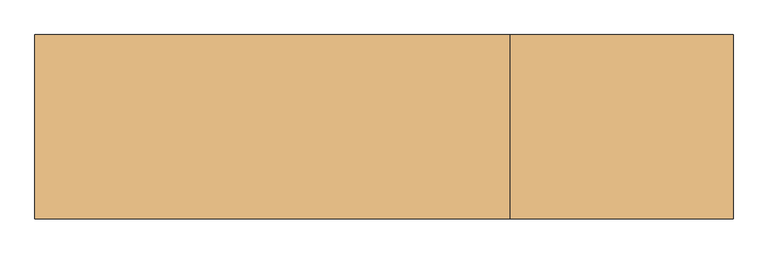
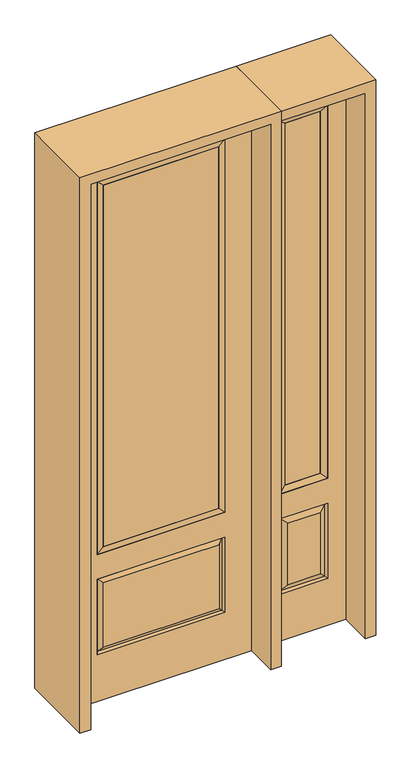
"""IFC4 building model written with IfcOpenShell, lengths in millimetres: door geometry."""

from ifc_helpers import new_model, si_unit, frame, origin, place, context, project, spatial, polyline, outline, extrude, faceted_brep, source, transform, mapped, element, save


def door_556ef328(model_context):
    return source(origin(), model_context, "Body", "SolidModel", [
        faceted_brep([(425.45, -22.225, 0.0), (781.05, -22.225, 0.0), (781.05, -22.225, 2438.4), (425.45, -22.225, 2438.4), (703.58, -22.225, 2325.624), (703.58, -22.225, 657.098), (502.92, -22.225, 657.098), (502.92, -22.225, 2325.624), (703.58, -22.225, 209.55), (502.92, -22.225, 209.55), (502.92, -22.225, 546.1), (703.58, -22.225, 546.1), (534.6351001, -22.225, 241.2651001), (671.8648999, -22.225, 241.2651001), (671.8648999, -22.225, 514.3848999), (534.6351001, -22.225, 514.3848999), (425.45, 22.225, 0.0), (425.45, 22.225, 2438.4), (781.05, 22.225, 2438.4), (781.05, 22.225, 0.0), (703.58, 22.225, 2325.624), (502.92, 22.225, 2325.624), (502.92, 22.225, 657.098), (703.58, 22.225, 657.098), (502.92, 22.225, 209.55), (703.58, 22.225, 209.55), (703.58, 22.225, 546.1), (502.92, 22.225, 546.1), (671.8648999, 22.225, 241.2651001), (534.6351001, 22.225, 241.2651001), (534.6351001, 22.225, 514.3848999), (671.8648999, 22.225, 514.3848999), (696.4711499, 12.7912373, 216.6588501), (510.0288501, 12.7912373, 216.6588501), (510.0288501, 12.7912373, 538.9911499), (696.4711499, 12.7912373, 538.9911499), (510.0288501, -12.7912373, 216.6588501), (696.4711499, -12.7912373, 216.6588501), (510.0288501, -12.7912373, 538.9911499), (696.4711499, -12.7912373, 538.9911499)], [[[0, 1, 2, 3], [4, 5, 6, 7], [8, 9, 10, 11]], [[12, 13, 14, 15]], [[16, 17, 18, 19], [20, 21, 22, 23], [24, 25, 26, 27]], [[28, 29, 30, 31]], [[1, 0, 16, 19]], [[2, 1, 19, 18]], [[3, 2, 18, 17]], [[0, 3, 17, 16]], [[5, 4, 20, 23]], [[6, 5, 23, 22]], [[7, 6, 22, 21]], [[4, 7, 21, 20]], [[32, 33, 29, 28]], [[33, 32, 25, 24]], [[29, 33, 34, 30]], [[33, 24, 27, 34]], [[30, 34, 35, 31]], [[34, 27, 26, 35]], [[32, 28, 31, 35]], [[25, 32, 35, 26]], [[12, 36, 37, 13]], [[37, 36, 9, 8]], [[36, 12, 15, 38]], [[9, 36, 38, 10]], [[38, 15, 14, 39]], [[10, 38, 39, 11]], [[13, 37, 39, 14]], [[37, 8, 11, 39]]]),
        faceted_brep([(502.92, 22.225, 2325.624), (502.92, -22.225, 2325.624), (703.58, -22.225, 2325.624), (703.58, 22.225, 2325.624), (528.32, 12.7, 2300.224), (678.18, 12.7, 2300.224), (528.32, -12.7, 2300.224), (678.18, -12.7, 2300.224), (703.58, -22.225, 657.098), (703.58, 22.225, 657.098), (678.18, 12.7, 682.498), (678.18, -12.7, 682.498), (502.92, -22.225, 657.098), (502.92, 22.225, 657.098), (528.32, 12.7, 682.498), (528.32, -12.7, 682.498)], [[[0, 1, 2, 3]], [[4, 0, 3, 5]], [[6, 4, 5, 7]], [[1, 6, 7, 2]], [[3, 2, 8, 9]], [[5, 3, 9, 10]], [[7, 5, 10, 11]], [[2, 7, 11, 8]], [[9, 8, 12, 13]], [[10, 9, 13, 14]], [[11, 10, 14, 15]], [[8, 11, 15, 12]], [[13, 12, 1, 0]], [[14, 13, 0, 4]], [[15, 14, 4, 6]], [[12, 15, 6, 1]]]),
        extrude(outline(polyline([(678.18, -12.7), (528.32, -12.7), (528.32, 12.7), (678.18, 12.7), (678.18, -12.7)])), frame((0.0, 0.0, 682.498), z_axis=(0.0, 0.0, 1.0), x_axis=(1.0, 0.0, 0.0)), (0.0, 0.0, 1.0), 1617.726),
        extrude(outline(polyline([(244.475, -20.32), (-244.475, -20.32), (-244.475, 5.08), (244.475, 5.08), (244.475, -20.32)])), frame((0.0, 0.0, 682.498), z_axis=(0.0, 0.0, 1.0), x_axis=(1.0, 0.0, 0.0)), (0.0, 0.0, 1.0), 1616.202),
        faceted_brep([(-262.7661499, -12.7912373, 216.6588501), (262.7661499, -12.7912373, 216.6588501), (245.26875, -22.225, 234.15625), (-245.26875, -22.225, 234.15625), (-269.875, -22.225, 209.55), (269.875, -22.225, 209.55), (-262.7661499, -12.7912373, 538.9911499), (-269.875, -22.225, 546.1), (245.26875, -22.225, 521.49375), (-245.26875, -22.225, 521.49375), (381.0, -22.225, 2438.4), (-381.0, -22.225, 2438.4), (-381.0, -22.225, 0.0), (381.0, -22.225, 0.0), (269.875, -22.225, 546.1), (269.875, -22.225, 2324.1), (269.875, -22.225, 657.098), (-269.875, -22.225, 657.098), (-269.875, -22.225, 2324.1), (262.7661499, -12.7912373, 538.9911499), (-381.0, 22.225, 2438.4), (-381.0, 22.225, 0.0), (381.0, 22.225, 0.0), (381.0, 22.225, 2438.4), (269.875, 22.225, 2324.1), (269.875, 22.225, 657.098), (-269.875, 22.225, 657.098), (-269.875, 22.225, 2324.1), (-269.875, 22.225, 209.55), (269.875, 22.225, 209.55), (269.875, 22.225, 546.1), (-269.875, 22.225, 546.1), (245.26875, 22.225, 234.15625), (-245.26875, 22.225, 234.15625), (-245.26875, 22.225, 521.49375), (245.26875, 22.225, 521.49375), (-262.7661499, 12.7912373, 216.6588501), (262.7661499, 12.7912373, 216.6588501), (262.7661499, 12.7912373, 538.9911499), (-262.7661499, 12.7912373, 538.9911499)], [[[0, 1, 2, 3]], [[1, 0, 4, 5]], [[4, 0, 6, 7]], [[3, 2, 8, 9]], [[10, 11, 12, 13], [5, 4, 7, 14], [15, 16, 17, 18]], [[1, 5, 14, 19]], [[2, 1, 19, 8]], [[0, 3, 9, 6]], [[7, 6, 19, 14]], [[6, 9, 8, 19]], [[12, 11, 20, 21]], [[13, 12, 21, 22]], [[10, 13, 22, 23]], [[16, 15, 24, 25]], [[17, 16, 25, 26]], [[18, 17, 26, 27]], [[23, 22, 21, 20], [28, 29, 30, 31], [24, 27, 26, 25]], [[32, 33, 34, 35]], [[28, 36, 37, 29]], [[29, 37, 38, 30]], [[39, 31, 30, 38]], [[36, 28, 31, 39]], [[37, 36, 33, 32]], [[33, 36, 39, 34]], [[34, 39, 38, 35]], [[37, 32, 35, 38]], [[11, 10, 23, 20]], [[15, 18, 27, 24]]]),
        faceted_brep([(-269.875, -22.225, 2324.1), (-269.875, 22.225, 2324.1), (-269.875, 22.225, 657.098), (-269.875, -22.225, 657.098), (269.875, 22.225, 657.098), (269.875, -22.225, 657.098), (-244.475, 5.08, 682.498), (244.475, 5.08, 682.498), (269.875, 22.225, 2324.1), (269.875, -22.225, 2324.1), (-244.475, -20.32, 682.498), (244.475, -20.32, 682.498), (-244.475, -20.32, 2298.7), (244.475, -20.32, 2298.7), (-244.475, 5.08, 2298.7), (244.475, 5.08, 2298.7)], [[[0, 1, 2, 3]], [[3, 2, 4, 5]], [[2, 6, 7, 4]], [[5, 4, 8, 9]], [[10, 3, 5, 11]], [[12, 0, 3, 10]], [[11, 5, 9, 13]], [[6, 10, 11, 7]], [[14, 12, 10, 6]], [[7, 11, 13, 15]], [[1, 14, 6, 2]], [[4, 7, 15, 8]], [[9, 8, 1, 0]], [[13, 9, 0, 12]], [[15, 13, 12, 14]], [[8, 15, 14, 1]]]),
        extrude(outline(polyline([(2482.85, -425.45), (0.0, -425.45), (0.0, -381.0), (2438.4, -381.0), (2438.4, 381.0), (0.0, 381.0), (0.0, 425.45), (2482.85, 425.45), (2482.85, -425.45)])), frame((0.0, -165.1, 0.0), z_axis=(0.0, 1.0, 0.0), x_axis=(0.0, 0.0, 1.0)), (0.0, 0.0, 1.0), 330.2),
        extrude(outline(polyline([(0.0, 781.05), (0.0, 825.5), (2482.85, 825.5), (2482.85, 425.45), (2438.4, 425.45), (2438.4, 781.05), (0.0, 781.05)])), frame((0.0, -165.1, 0.0), z_axis=(0.0, 1.0, 0.0), x_axis=(0.0, 0.0, 1.0)), (0.0, 0.0, 1.0), 330.2),
    ])


if __name__ == "__main__":
    model = new_model("IFC4")
    model_context = context("Model", 3, world=origin())
    ifc_project = project(units=[si_unit("LENGTHUNIT", "METRE", prefix="MILLI")], contexts=[model_context])
    site = spatial("IfcSite", under=ifc_project)
    building = spatial("IfcBuilding", under=site)
    placement = place(None, origin())
    door_shape = door_556ef328(model_context)
    element("IfcDoor", 1, at=placement, inside=building, context=model_context, shape_type="MappedRepresentation", body=[
        mapped(door_shape, transform((0.0, 0.0, 0.0), x_axis=(1.0, 0.0, 0.0), y_axis=(0.0, 1.0, 0.0), z_axis=(0.0, 0.0, 1.0))),
    ])
    save(model, "model.ifc")
